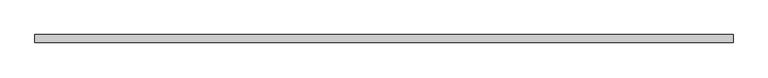
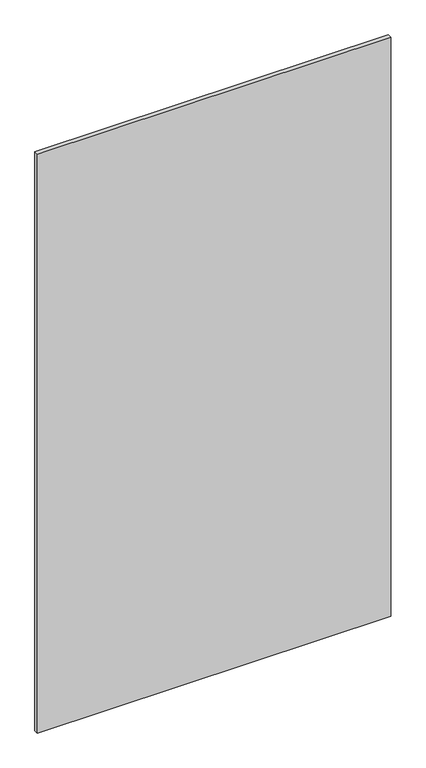
"""IFC4 building model written with IfcOpenShell, lengths in millimetres: plate geometry."""

from ifc_helpers import new_model, si_unit, origin, origin_with_axes, place, context, project, spatial, polyline, outline, extrude, source, transform, mapped, element, save


def plate_5af1506b(model_context):
    return source(origin(), model_context, "Body", "SweptSolid", [
        extrude(outline(polyline([(627.75, 7.25), (627.75, -7.25), (-627.75, -7.25), (-627.75, 7.25), (627.75, 7.25)])), origin_with_axes(), (0.0, 0.0, 1.0), 2173.3),
    ])


if __name__ == "__main__":
    model = new_model("IFC4")
    model_context = context("Model", 3, world=origin())
    ifc_project = project(units=[si_unit("LENGTHUNIT", "METRE", prefix="MILLI")], contexts=[model_context])
    site = spatial("IfcSite", under=ifc_project)
    building = spatial("IfcBuilding", under=site)
    placement = place(None, origin())
    plate_shape = plate_5af1506b(model_context)
    element("IfcPlate", 1, at=placement, inside=building, context=model_context, shape_type="MappedRepresentation", body=[
        mapped(plate_shape, transform((0.0, 0.0, 0.0), x_axis=(1.0, 0.0, 0.0), y_axis=(0.0, 1.0, 0.0), z_axis=(0.0, 0.0, 1.0))),
    ])
    save(model, "model.ifc")
